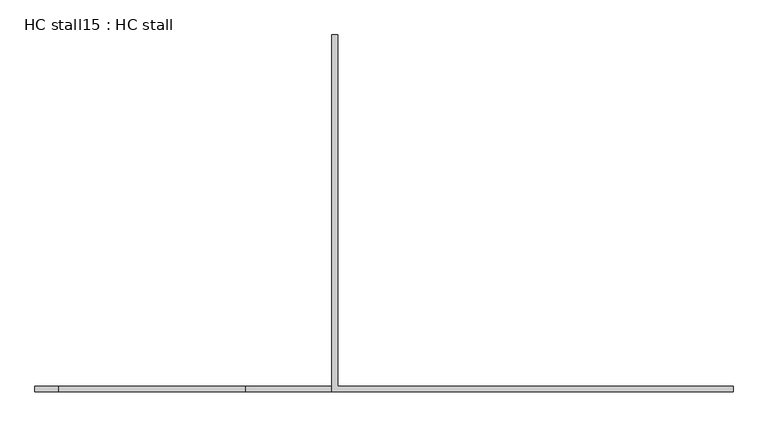
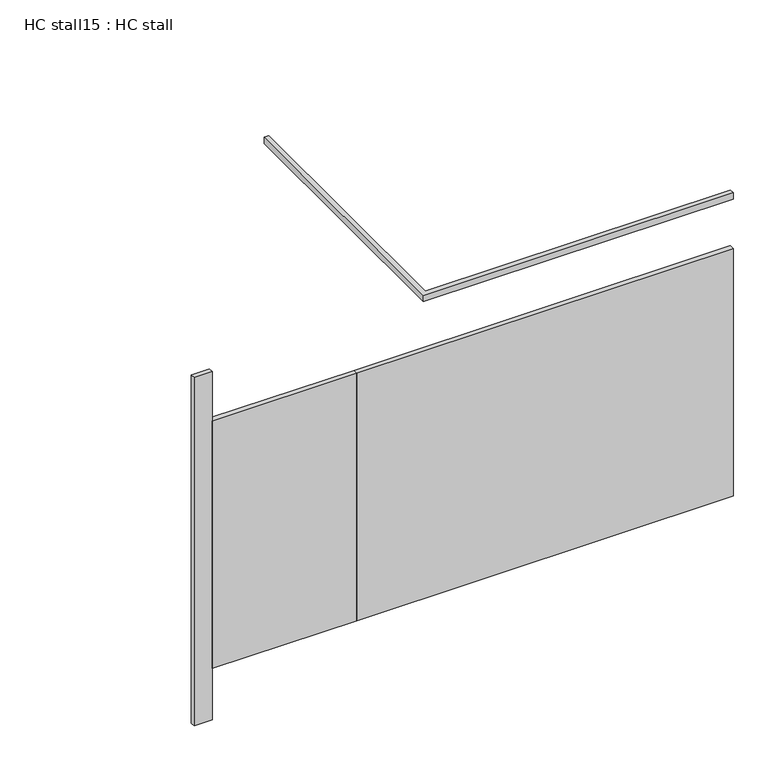
"""IFC4 building model written with IfcOpenShell, lengths in millimetres: proxy geometry, HC stall15 : HC stall."""

from ifc_helpers import new_model, si_unit, frame, origin, origin_with_axes, place, context, project, spatial, polyline, outline, extrude, source, transform, mapped, element, save


def hc_stall15_hc_stall_de7903a4(model_context):
    return source(origin(), model_context, "Body", "SweptSolid", [
        extrude(outline(polyline([(285789.4754676, -251065.5205223), (283673.3379676, -251065.5205223), (283673.3379676, -251040.1205223), (285789.4754676, -251040.1205223), (285789.4754676, -251065.5205223)])), frame((0.0, 0.0, 304.8), z_axis=(0.0, 0.0, 1.0), x_axis=(1.0, 0.0, 0.0)), (0.0, 0.0, 1.0), 1473.2),
        extrude(outline(polyline([(282860.5379676, -251040.1205223), (282860.5379676, -251065.5205223), (282758.9379676, -251065.5205223), (282758.9379676, -251040.1205223), (282860.5379676, -251040.1205223)])), origin_with_axes(), (0.0, 0.0, 1.0), 2070.1),
        extrude(outline(polyline([(284073.3879676, -251040.1205223), (285789.4754676, -251040.1205223), (285789.4754676, -251065.5205223), (284047.9879676, -251065.5205223), (284047.9879676, -249516.1205223), (284073.3879676, -249516.1205223), (284073.3879676, -251040.1205223)])), frame((0.0, 0.0, 2070.1), z_axis=(0.0, 0.0, 1.0), x_axis=(1.0, 0.0, 0.0)), (0.0, 0.0, 1.0), 38.1),
        extrude(outline(polyline([(283673.3379676, -251040.1205223), (283673.3379676, -251065.5205223), (282860.5379676, -251065.5205223), (282860.5379676, -251040.1205223), (283673.3379676, -251040.1205223)])), frame((0.0, 0.0, 304.8), z_axis=(0.0, 0.0, 1.0), x_axis=(1.0, 0.0, 0.0)), (0.0, 0.0, 1.0), 1473.2),
    ])


if __name__ == "__main__":
    model = new_model("IFC4")
    model_context = context("Model", 3, world=origin())
    ifc_project = project(units=[si_unit("LENGTHUNIT", "METRE", prefix="MILLI")], contexts=[model_context])
    site = spatial("IfcSite", under=ifc_project)
    building = spatial("IfcBuilding", under=site)
    placement = place(None, origin())
    hc_stall15_hc_stall_shape = hc_stall15_hc_stall_de7903a4(model_context)
    element("IfcBuildingElementProxy", 1, Name="HC stall15 : HC stall", ObjectType="HC stall15 : HC stall", at=placement, inside=building, context=model_context, shape_type="MappedRepresentation", body=[
        mapped(hc_stall15_hc_stall_shape, transform((0.0, 0.0, 0.0), x_axis=(1.0, 0.0, 0.0), y_axis=(0.0, 1.0, 0.0), z_axis=(0.0, 0.0, 1.0))),
    ])
    save(model, "model.ifc")
